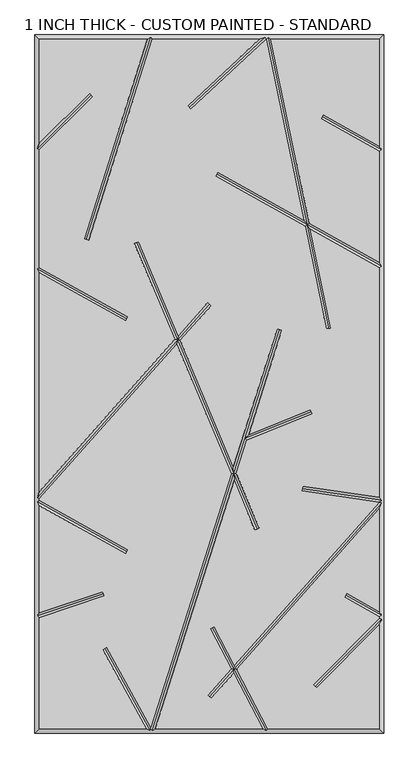
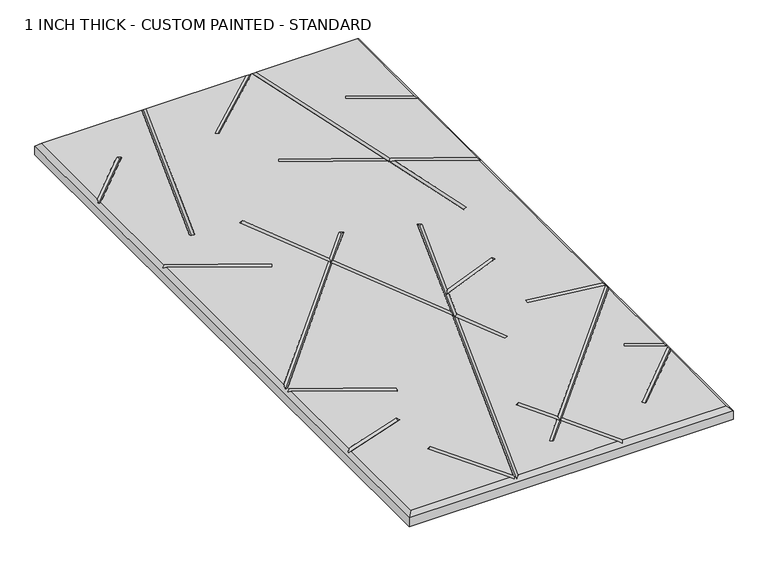
"""IFC4 building model written with IfcOpenShell, lengths in millimetres: proxy geometry, 1 INCH THICK - CUSTOM PAINTED - STANDARD."""

from ifc_helpers import new_model, si_unit, origin, place, context, project, spatial, faceted_brep, source, transform, mapped, element, save


def proxy_1_inch_thick_custom_painted_standard_2a85dc8b(model_context):
    return source(origin(), model_context, "Body", "Brep", [
        faceted_brep([(-296.799, 601.599, 25.4), (-296.799, 420.0585614, 25.4), (-209.465267, 507.3922944, 25.4), (-203.8077056, 501.734733, 25.4), (-296.799, 408.7434386, 25.4), (-296.799, 203.3118869, 25.4), (-142.5916835, 117.1439143, 25.4), (-146.4945108, 110.1593642, 25.4), (-296.799, 194.1465147, 25.4), (-296.799, -188.1783655, 25.4), (-60.414797, 77.7314881, 25.4), (-130.9100687, 245.4965414, 25.4), (-123.5338229, 248.5960573, 25.4), (-54.5217155, 84.360647, 25.4), (-2.9898999, 142.3290618, 25.4), (2.9898999, 137.0132369, 25.4), (-51.0856167, 76.1833992, 25.4), (41.8198404, -144.9135422, 25.4), (118.4676512, 96.3670459, 25.4), (126.0931354, 93.9446518, 25.4), (68.2308495, -88.200751, 25.4), (176.389257, -44.7967941, 25.4), (179.3690728, -52.2222031, 25.4), (65.0919979, -98.0815805, 25.4), (46.6006106, -156.2908465, 25.4), (86.8913986, -252.1750957, 25.4), (79.5151528, -255.2746116, 25.4), (42.86425, -168.0525821, 25.4), (-94.8608114, -601.599, 25.4), (92.8718763, -601.599, 25.4), (41.9909547, -504.8565668, 25.4), (2.9898999, -548.7290618, 25.4), (-2.9898999, -543.4132369, 25.4), (38.011603, -497.2904271, 25.4), (1.2803392, -427.4514438, 25.4), (8.3616601, -423.7270787, 25.4), (43.691373, -490.9012234, 25.4), (296.799, -206.1791008, 25.4), (161.5180376, -186.5574472, 25.4), (162.66123, -178.6385386, 25.4), (296.799, -198.0029854, 25.4), (296.799, 203.0881131, 25.4), (176.1280645, 270.5166249, 25.4), (212.0312358, 97.6915725, 25.4), (204.1974911, 96.064168, 25.4), (166.8830535, 275.6825527, 25.4), (10.5996532, 363.0105994, 25.4), (14.5024805, 369.9951496, 25.4), (164.7289602, 286.0515892, 25.4), (99.1762375, 601.599, 25.4), (98.8402099, 601.599, 25.4), (-32.7718055, 479.8900914, 25.4), (-38.2040457, 485.7643375, 25.4), (87.055753, 601.599, 25.4), (-99.9441805, 601.599, 25.4), (-211.1838045, 251.4264167, 25.4), (-218.8092886, 253.8488108, 25.4), (-108.3391886, 601.599, 25.4), (101.9119977, -601.599, 25.4), (296.799, -601.599, 25.4), (296.799, -420.1587392, 25.4), (187.3700731, -530.5992999, 25.4), (181.6865411, -524.967829, 25.4), (296.799, -408.7911939, 25.4), (296.799, -406.5118869, 25.4), (236.129826, -372.6111626, 25.4), (240.0326533, -365.6266125, 25.4), (296.799, -397.3465147, 25.4), (296.799, -218.2216345, 25.4), (47.6707247, -498.4673632, 25.4), (173.9739712, 280.8856615, 25.4), (296.799, 212.2534853, 25.4), (296.799, 406.2881131, 25.4), (194.792886, 463.287095, 25.4), (198.6957133, 470.2716451, 25.4), (296.799, 415.4534853, 25.4), (296.799, 601.599, 25.4), (107.3480638, 601.599, 25.4), (38.0834798, -156.6752779, 25.4), (-56.9786982, 69.5542403, 25.4), (-296.799, -200.2208992, 25.4), (-296.799, -203.0881131, 25.4), (-142.5916835, -289.2560857, 25.4), (-146.4945108, -296.2406358, 25.4), (-296.799, -212.2534853, 25.4), (-296.799, -399.4880331, 25.4), (-186.4041101, -362.3555047, 25.4), (-183.8533173, -369.9390037, 25.4), (-296.799, -407.9295192, 25.4), (-296.799, -601.599, 25.4), (-110.5588891, -601.599, 25.4), (-186.2344077, -463.8225395, 25.4), (-179.2216231, -459.970676, 25.4), (-102.5869372, -599.4934169, 25.4), (-304.8, 609.6, 0.0), (304.8, 609.6, 0.0), (304.8, -609.6, 0.0), (-304.8, -609.6, 0.0), (-304.8, -609.6, 17.399), (-304.8, 609.6, 17.399), (304.8, -609.6, 17.399), (304.8, 609.6, 17.399), (-102.8708423, 605.5995, 21.3995), (97.2739907, 605.5995, 21.3995), (102.4310753, 605.5995, 21.3995), (-300.7995, -405.0543881, 21.3995), (-300.7995, -205.4353996, 21.3995), (-300.7995, -198.6998162, 21.3995), (-300.7995, 200.9646004, 21.3995), (-300.7995, 410.4005, 21.3995), (99.4959685, -605.5995, 21.3995), (-100.3291577, -605.5995, 21.3995), (-102.246608, -602.9785071, 24.0204929), (-103.7973268, -605.5995, 21.3995), (300.7995, 408.6353996, 21.3995), (300.7995, 205.4353996, 21.3995), (300.7995, -202.6224783, 21.3995), (300.7995, -207.7001838, 21.3995), (300.7995, -404.1646004, 21.3995), (300.7995, -410.4374833, 21.3995), (-206.6364863, 504.5635137, 21.3995), (-214.9965466, 252.6376137, 21.3995), (-144.5430971, 113.6516392, 21.3995), (12.5510669, 366.5028745, 21.3995), (170.4285124, 278.2841071, 21.3995), (-35.4879256, 482.8272145, 21.3995), (208.1143635, 96.8778703, 21.3995), (196.7442997, 466.77937, 21.3995), (122.2803933, 95.1558489, 21.3995), (42.3420452, -156.4830622, 21.3995), (61.850634, -95.0717351, 21.3995), (83.2032757, -253.7248536, 21.3995), (-127.2219458, 247.0462994, 21.3995), (-55.7502068, 76.9574436, 21.3995), (0.0, 139.6711493, 21.3995), (-185.1287137, -366.1472542, 21.3995), (-144.5430971, -292.7483608, 21.3995), (-182.7280154, -461.8966077, 21.3995), (4.8209997, -425.5892613, 21.3995), (42.8411639, -497.8788951, 21.3995), (184.5283071, -527.7835644, 21.3995), (238.0812397, -369.1188875, 21.3995), (0.0, -546.0711493, 21.3995), (162.0896338, -182.5979929, 21.3995), (177.8791649, -48.5094986, 21.3995)], [[[0, 1, 2, 3, 4, 5, 6, 7, 8, 9, 10, 11, 12, 13, 14, 15, 16, 17, 18, 19, 20, 21, 22, 23, 24, 25, 26, 27, 28, 29, 30, 31, 32, 33, 34, 35, 36, 37, 38, 39, 40, 41, 42, 43, 44, 45, 46, 47, 48, 49, 50, 51, 52, 53, 54, 55, 56, 57]], [[58, 59, 60, 61, 62, 63, 64, 65, 66, 67, 68, 69]], [[70, 71, 72, 73, 74, 75, 76, 77]], [[78, 79, 80, 81, 82, 83, 84, 85, 86, 87, 88, 89, 90, 91, 92, 93]], [[94, 95, 96, 97]], [[94, 97, 98, 99]], [[97, 96, 100, 98]], [[96, 95, 101, 100]], [[95, 94, 99, 101]], [[99, 0, 57, 102, 54, 53, 103, 50, 49, 104, 77, 76, 101]], [[0, 99, 98, 89, 88, 105, 85, 84, 106, 81, 80, 107, 9, 8, 108, 5, 4, 109, 1]], [[89, 98, 100, 59, 58, 110, 29, 28, 111, 112, 113, 90]], [[101, 76, 75, 114, 72, 71, 115, 41, 40, 116, 37, 117, 68, 67, 118, 64, 63, 119, 60, 59, 100]], [[2, 120, 3]], [[120, 2, 1, 109]], [[3, 120, 109, 4]], [[55, 121, 56]], [[121, 55, 54, 102]], [[56, 121, 102, 57]], [[6, 122, 7]], [[122, 6, 5, 108]], [[7, 122, 108, 8]], [[46, 123, 47]], [[41, 115, 124, 42]], [[123, 46, 45, 124]], [[115, 71, 70, 124]], [[47, 123, 124, 48]], [[51, 125, 52]], [[125, 51, 50, 103]], [[52, 125, 103, 53]], [[43, 126, 44]], [[44, 126, 124, 45]], [[124, 104, 49, 48]], [[126, 43, 42, 124]], [[104, 124, 70, 77]], [[73, 127, 74]], [[127, 73, 72, 114]], [[74, 127, 114, 75]], [[18, 128, 19]], [[111, 28, 27, 129]], [[19, 128, 130, 20]], [[129, 24, 23, 130]], [[128, 18, 17, 129, 130]], [[111, 129, 78, 93, 112]], [[25, 131, 26]], [[11, 132, 12]], [[78, 129, 133, 79]], [[26, 131, 129, 27]], [[132, 11, 10, 133]], [[129, 17, 16, 133]], [[131, 25, 24, 129]], [[12, 132, 133, 13]], [[14, 134, 15]], [[134, 14, 13, 133]], [[107, 133, 10, 9]], [[15, 134, 133, 16]], [[133, 107, 80, 79]], [[86, 135, 87]], [[135, 86, 85, 105]], [[87, 135, 105, 88]], [[82, 136, 83]], [[83, 136, 106, 84]], [[136, 82, 81, 106]], [[91, 137, 92]], [[137, 91, 90, 113]], [[92, 137, 113, 112, 93]], [[34, 138, 35]], [[29, 110, 139, 30]], [[138, 34, 33, 139]], [[110, 58, 69, 139]], [[35, 138, 139, 36]], [[61, 140, 62]], [[62, 140, 119, 63]], [[140, 61, 60, 119]], [[65, 141, 66]], [[141, 65, 64, 118]], [[66, 141, 118, 67]], [[31, 142, 32]], [[32, 142, 139, 33]], [[139, 117, 37, 36]], [[142, 31, 30, 139]], [[117, 139, 69, 68]], [[38, 143, 39]], [[143, 38, 37, 116]], [[39, 143, 116, 40]], [[21, 144, 22]], [[144, 21, 20, 130]], [[22, 144, 130, 23]]]),
    ])


if __name__ == "__main__":
    model = new_model("IFC4")
    model_context = context("Model", 3, world=origin())
    ifc_project = project(units=[si_unit("LENGTHUNIT", "METRE", prefix="MILLI")], contexts=[model_context])
    site = spatial("IfcSite", under=ifc_project)
    building = spatial("IfcBuilding", under=site)
    placement = place(None, origin())
    proxy_1_inch_thick_custom_painted_standard_shape = proxy_1_inch_thick_custom_painted_standard_2a85dc8b(model_context)
    element("IfcBuildingElementProxy", 1, Name="1 INCH THICK - CUSTOM PAINTED - STANDARD", ObjectType="1 INCH THICK - CUSTOM PAINTED - STANDARD", at=placement, inside=building, context=model_context, shape_type="MappedRepresentation", body=[
        mapped(proxy_1_inch_thick_custom_painted_standard_shape, transform((0.0, 0.0, 0.0), x_axis=(1.0, 0.0, 0.0), y_axis=(0.0, 1.0, 0.0), z_axis=(0.0, 0.0, 1.0))),
    ])
    save(model, "model.ifc")
